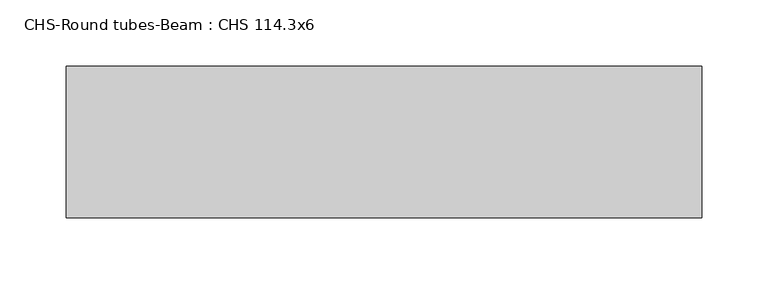
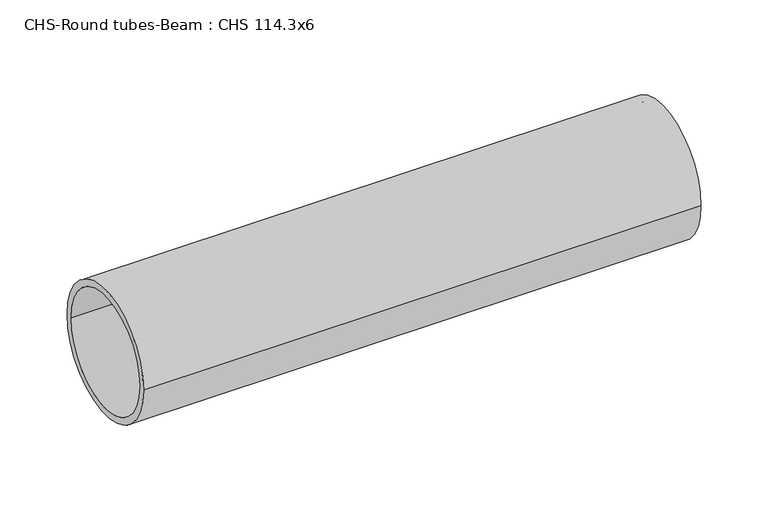
"""IFC4 building model written with IfcOpenShell, lengths in millimetres: beam geometry, CHS-Round tubes-Beam : CHS 114.3x6."""

from ifc_helpers import new_model, si_unit, point, frame, origin, origin_2d, place, context, project, spatial, circle_curve, trimmed, segment, composite_curve, outline, extrude, source, transform, mapped, element, save


def chs_round_tubes_beam_chs_114_3x6_7a75aa1b(model_context):
    return source(origin(), model_context, "Body", "SweptSolid", [
        extrude(outline(composite_curve([segment(trimmed(circle_curve(origin_2d(), 57.15), [point((57.15, 0.0))], [point((-57.15, 0.0))], False, "CARTESIAN"), True, "CONTINUOUS"), segment(trimmed(circle_curve(origin_2d(), 57.15), [point((-57.15, 0.0))], [point((57.15, 0.0))], False, "CARTESIAN"), True, "CONTINUOUS")], self_intersect=False), holes=[composite_curve([segment(trimmed(circle_curve(origin_2d(), 51.15), [point((51.15, 0.0))], [point((-51.15, 0.0))], True, "CARTESIAN"), True, "CONTINUOUS"), segment(trimmed(circle_curve(origin_2d(), 51.15), [point((-51.15, 0.0))], [point((51.15, 0.0))], True, "CARTESIAN"), True, "CONTINUOUS")], self_intersect=False)]), frame((68.5628943, 0.0, 0.0), z_axis=(1.0, 0.0, 0.0), x_axis=(0.0, 1.0, 0.0)), (0.0, 0.0, 1.0), 479.9362093),
    ])


if __name__ == "__main__":
    model = new_model("IFC4")
    model_context = context("Model", 3, world=origin())
    ifc_project = project(units=[si_unit("LENGTHUNIT", "METRE", prefix="MILLI")], contexts=[model_context])
    site = spatial("IfcSite", under=ifc_project)
    building = spatial("IfcBuilding", under=site)
    placement = place(None, origin())
    chs_round_tubes_beam_chs_114_3x6_shape = chs_round_tubes_beam_chs_114_3x6_7a75aa1b(model_context)
    element("IfcBeam", 1, ObjectType="CHS-Round tubes-Beam : CHS 114.3x6", at=placement, inside=building, context=model_context, shape_type="MappedRepresentation", body=[
        mapped(chs_round_tubes_beam_chs_114_3x6_shape, transform((0.0, 0.0, 0.0), x_axis=(1.0, 0.0, 0.0), y_axis=(0.0, 1.0, 0.0), z_axis=(0.0, 0.0, 1.0))),
    ])
    save(model, "model.ifc")
